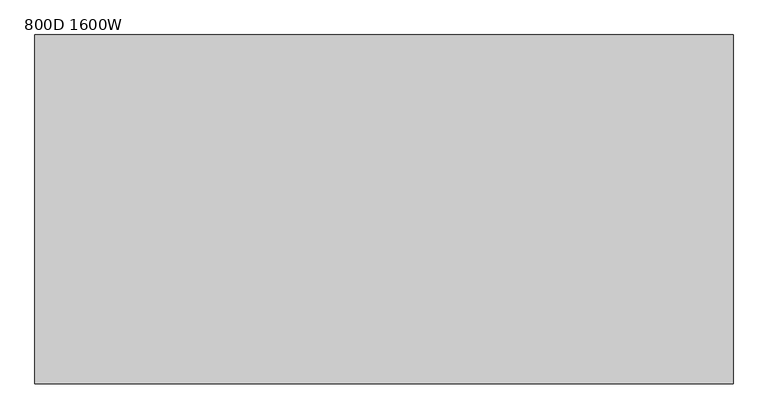
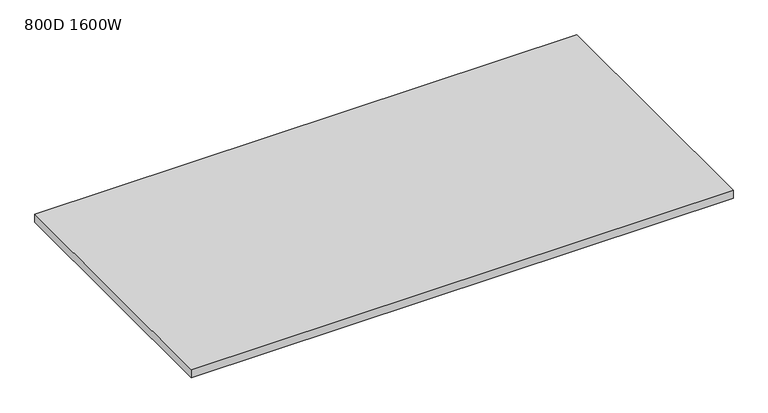
"""IFC4 building model written with IfcOpenShell, lengths in millimetres: furniture geometry, 800D 1600W."""

from ifc_helpers import new_model, si_unit, frame, origin, place, context, project, spatial, polyline, outline, extrude, source, transform, mapped, element, save


def furniture_800d_1600w_328854e9(model_context):
    return source(origin(), model_context, "Body", "SweptSolid", [
        extrude(outline(polyline([(-800.0, -800.0), (-800.0, 0.0), (800.0, 0.0), (800.0, -800.0), (-800.0, -800.0)])), frame((0.0, 0.0, 715.0), z_axis=(0.0, 0.0, 1.0), x_axis=(1.0, 0.0, 0.0)), (0.0, 0.0, 1.0), 25.0),
    ])


if __name__ == "__main__":
    model = new_model("IFC4")
    model_context = context("Model", 3, world=origin())
    ifc_project = project(units=[si_unit("LENGTHUNIT", "METRE", prefix="MILLI")], contexts=[model_context])
    site = spatial("IfcSite", under=ifc_project)
    building = spatial("IfcBuilding", under=site)
    placement = place(None, origin())
    furniture_800d_1600w_shape = furniture_800d_1600w_328854e9(model_context)
    element("IfcFurniture", 1, ObjectType="800D 1600W", at=placement, inside=building, context=model_context, shape_type="MappedRepresentation", body=[
        mapped(furniture_800d_1600w_shape, transform((0.0, 0.0, 0.0), x_axis=(1.0, 0.0, 0.0), y_axis=(0.0, 1.0, 0.0), z_axis=(0.0, 0.0, 1.0))),
    ])
    save(model, "model.ifc")
